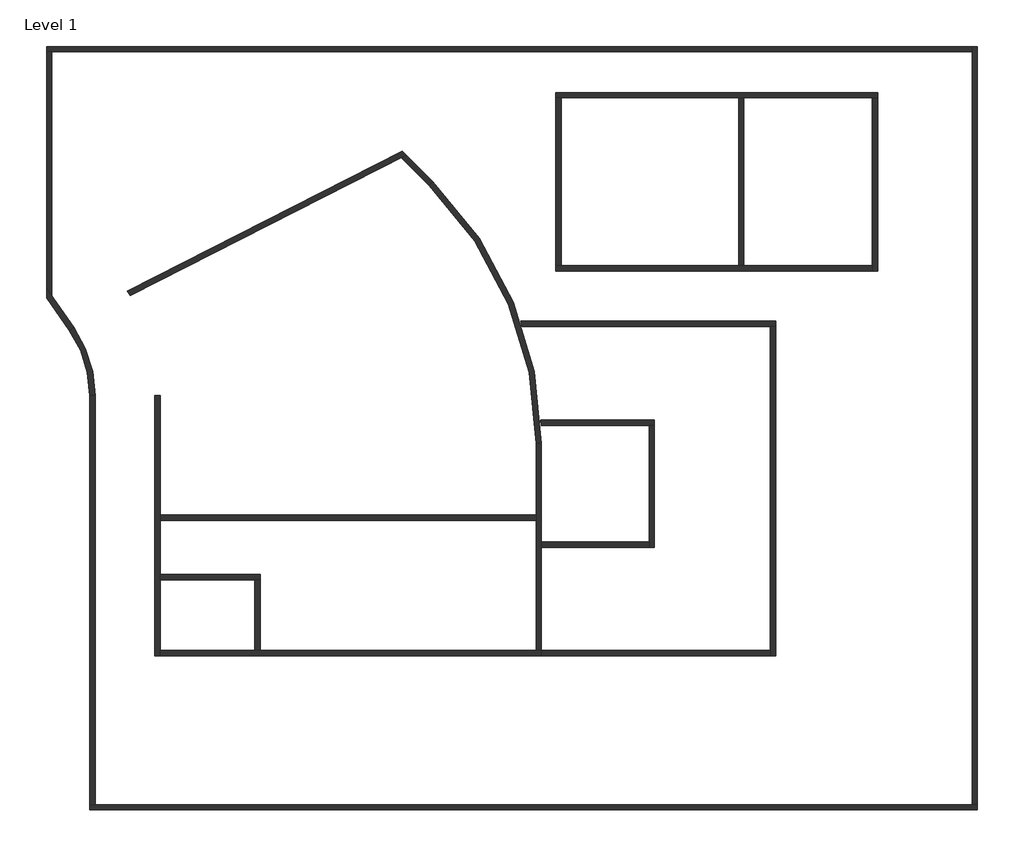
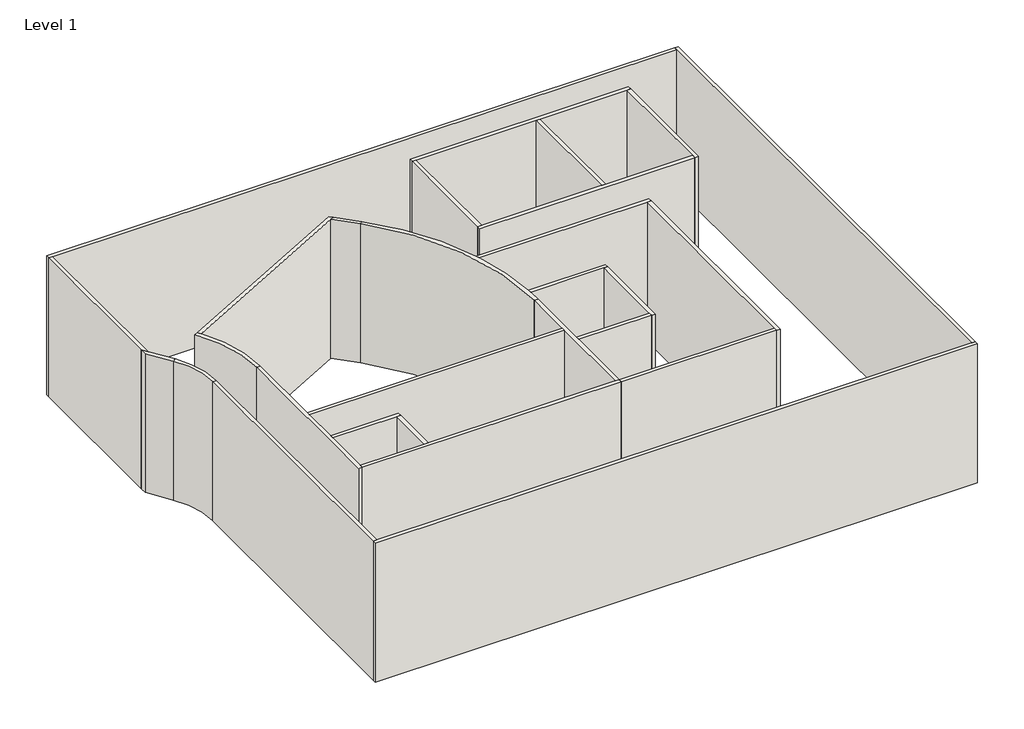
# One storey: 28 walls.
"""IFC4 building model written with IfcOpenShell, lengths in millimetres."""

from ifc_helpers import new_model, si_unit, point, frame, frame_2d, origin, origin_with_axes, place, context, project, spatial, polyline, circle_curve, trimmed, segment, composite_curve, outline, extrude, faceted_brep, element, save
from ifc_brep_helpers import plane_surface, cylinder_surface, revolved_surface, advanced_brep

model = new_model("IFC4")

# Units and contexts
model_context = context("Model", 3, world=origin())
ifc_project = project(units=[si_unit("LENGTHUNIT", "METRE", prefix="MILLI")], contexts=[model_context])

# Site, building, storey
site = spatial("IfcSite", under=ifc_project)
building = spatial("IfcBuilding", under=site)
storey = spatial("IfcBuildingStorey", under=building, Name="Level 1", Elevation=0.0)

# Walls
placement = place(None, origin())
element("IfcWall", 1, ObjectType="Generic - 200mm", at=placement, inside=storey, context=model_context, shape_type="Brep", body=[
    faceted_brep([(-12900.1976348, 1111.5995962, 0.0), (-12900.1976348, -8513.2666589, 0.0), (-12900.1976348, -8513.2666589, 8000.0), (-12900.1976348, 1111.5995962, 8000.0), (-12700.1976348, 1111.5995962, 0.0), (-12700.1976348, 1111.5995962, 8000.0), (-12700.1976348, -3313.2666589, 8000.0), (-12700.1976348, -3513.2666589, 8000.0), (-12700.1976348, -5513.2666589, 8000.0), (-12700.1976348, -5713.2666589, 8000.0), (-12700.1976348, -8313.2666589, 8000.0), (-12700.1976348, -8513.2666589, 8000.0), (-12700.1976348, -8513.2666589, 0.0), (-12700.1976348, -8313.2666589, 0.0), (-12700.1976348, -5713.2666589, 0.0), (-12700.1976348, -5513.2666589, 0.0), (-12700.1976348, -3513.2666589, 0.0), (-12700.1976348, -3313.2666589, 0.0)], [[[0, 1, 2, 3]], [[4, 5, 6, 7, 8, 9, 10, 11, 12, 13, 14, 15, 16, 17]], [[1, 0, 4, 17, 16, 15, 14, 13, 12]], [[3, 2, 11, 10, 9, 8, 7, 6, 5]], [[0, 3, 5, 4]], [[2, 1, 12, 11]]]),
])
element("IfcWall", 2, ObjectType="Generic - 200mm", at=placement, inside=storey, context=model_context, shape_type="Brep", body=[
    faceted_brep([(-12700.1976348, -8513.2666589, 0.0), (1399.8023652, -8513.2666589, 0.0), (1399.8023652, -8513.2666589, 8000.0), (-12700.1976348, -8513.2666589, 8000.0), (-12700.1976348, -8313.2666589, 0.0), (-12700.1976348, -8313.2666589, 8000.0), (-9200.1976348, -8313.2666589, 8000.0), (-9000.1976348, -8313.2666589, 8000.0), (1199.8023652, -8313.2666589, 8000.0), (1399.8023652, -8313.2666589, 8000.0), (1399.8023652, -8313.2666589, 0.0), (1199.8023652, -8313.2666589, 0.0), (-9000.1976348, -8313.2666589, 0.0), (-9200.1976348, -8313.2666589, 0.0)], [[[0, 1, 2, 3]], [[4, 5, 6, 7, 8, 9, 10, 11, 12, 13]], [[1, 0, 4, 13, 12, 11, 10]], [[3, 2, 9, 8, 7, 6, 5]], [[0, 3, 5, 4]], [[2, 1, 10, 9]]]),
])
element("IfcWall", 3, ObjectType="Generic - 200mm", at=placement, inside=storey, context=model_context, shape_type="Brep", body=[
    faceted_brep([(1399.8023652, -8313.2666589, 0.0), (1399.8023652, -4500.7679284, 0.0), (1399.8023652, -4300.7679284, 0.0), (1399.8023652, -667.8186322, 0.0), (1399.8023652, -667.8186322, 8000.0), (1399.8023652, -4300.7679284, 8000.0), (1399.8023652, -4500.7679284, 8000.0), (1399.8023652, -8313.2666589, 8000.0), (1199.8023652, -8313.2666589, 0.0), (1199.8023652, -8313.2666589, 8000.0), (1199.8023652, -3513.2666589, 8000.0), (1199.8023652, -3313.2666589, 8000.0), (1199.8023652, -667.8186322, 8000.0), (1199.8023652, -667.8186322, 0.0), (1199.8023652, -3313.2666589, 0.0), (1199.8023652, -3513.2666589, 0.0)], [[[0, 1, 2, 3, 4, 5, 6, 7]], [[8, 9, 10, 11, 12, 13, 14, 15]], [[3, 2, 1, 0, 8, 15, 14, 13]], [[4, 3, 13, 12]], [[7, 6, 5, 4, 12, 11, 10, 9]], [[0, 7, 9, 8]]]),
])
element("IfcWall", 4, ObjectType="Generic - 200mm", at=placement, inside=storey, context=model_context, shape_type="SweptSolid", body=[
    extrude(outline(polyline([(-12700.1976348, -3313.2666589), (1199.8023652, -3313.2666589), (1199.8023652, -3513.2666589), (-12700.1976348, -3513.2666589), (-12700.1976348, -3313.2666589)])), origin_with_axes(), (0.0, 0.0, 1.0), 8000.0),
])
element("IfcWall", 5, ObjectType="Generic - 200mm", at=placement, inside=storey, context=model_context, shape_type="AdvancedBrep", body=[
    advanced_brep(
    [(-13797.5976891, 4815.6991979, 0.0), (-3790.634692, 9914.501517, 0.0), (-3603.2627517, 10009.9722891, 0.0), (-3603.2627517, 10009.9722891, 8000.0), (-3790.634692, 9914.501517, 8000.0), (-13797.5976891, 4815.6991979, 8000.0), (-13909.816152, 4982.9862826, 0.0), (-13909.816152, 4982.9862826, 8000.0), (-3751.9619655, 10158.6715029, 8000.0), (-3751.9619655, 10158.6715029, 0.0)],
    [
        (0, 1),
        (1, 2),
        (2, 3),
        (3, 4),
        (4, 5),
        (5, 0),
        (6, 7),
        (7, 8),
        (8, 9),
        (9, 6),
        (0, 6, circle_curve(frame((-19500.1976348, 1111.5995962, 0.0), z_axis=(0.0, 0.0, 1.0), x_axis=(1.0, 0.0, 0.0)), 6800.0)),
        (9, 2),
        (3, 8),
        (7, 5, circle_curve(frame((-19500.1976348, 1111.5995962, 8000.0), z_axis=(0.0, 0.0, -1.0), x_axis=(1.0, 0.0, 0.0)), 6800.0)),
    ],
    [
        plane_surface(frame((-13896.3898286, 4765.3620886, 0.0), z_axis=(0.45399049973954625, -0.8910065241883682, 0.0), x_axis=(0.8910065241883682, 0.45399049973954625, 0.0))),
        plane_surface(frame((-13987.1879286, 4943.5633934, 0.0), z_axis=(-0.45399049973954625, 0.8910065241883682, 0.0), x_axis=(-0.8910065241883682, -0.45399049973954625, 0.0))),
        plane_surface(frame((-13897.3900092, 4764.8524711, 0.0), z_axis=(0.0, 0.0, -1.0), x_axis=(-0.4539904997395466, 0.891006524188368, 0.0))),
        plane_surface(frame((-3725.8992788, 9947.4858575, 8000.0), z_axis=(0.0, 0.0, 1.0), x_axis=(-0.45399049973954225, 0.8910065241883702, 0.0))),
        plane_surface(frame((-9001.6626479, 15408.3721853, 0.0), z_axis=(0.7071067811865491, 0.707106781186546, 0.0), x_axis=(-0.707106781186546, 0.7071067811865491, 0.0))),
        revolved_surface(polyline([(-12700.197634799999, 1111.5995962, 8000.0), (-12700.197634799999, 1111.5995962, 0.0)]), (-19500.1976348, 1111.5995962, 0.0), (0.0, 0.0, 1.0)),
    ],
    [
        (0, [[1, 2, 3, 4, 5, 6]]),
        (1, [[7, 8, 9, 10]]),
        (2, [[-2, -1, 11, -10, 12]]),
        (3, [[-5, -4, 13, -8, 14]]),
        (4, [[-3, -12, -9, -13]]),
        (5, [[-6, -14, -7, -11]]),
    ],
),
])
element("IfcWall", 6, ObjectType="Generic - 200mm", at=placement, inside=storey, context=model_context, shape_type="SweptSolid", body=[
    extrude(outline(polyline([(-2754.2560888, 8878.1229138), (-3790.634692, 9914.501517), (-3603.2627517, 10009.9722891), (-2612.8347326, 9019.54427), (-2754.2560888, 8878.1229138)])), origin_with_axes(), (0.0, 0.0, 1.0), 8000.0),
])
element("IfcWall", 7, ObjectType="Generic - 200mm", at=placement, inside=storey, context=model_context, shape_type="AdvancedBrep", body=[
    advanced_brep(
    [(-14089.6899995, 4891.3359796, 8000.0), (-12900.1976348, 1111.5995962, 8000.0), (-12700.1976348, 1111.5995962, 8000.0), (-13797.583722, 4815.6772057, 8000.0), (-13909.816152, 4982.9862826, 8000.0), (-14089.6899995, 4891.3359796, 0.0), (-13909.816152, 4982.9862826, 0.0), (-13797.583722, 4815.6772057, 0.0), (-12700.1976348, 1111.5995962, 0.0), (-12900.1976348, 1111.5995962, 0.0)],
    [
        (0, 1, circle_curve(frame((-19500.1976348, 1111.5995962, 8000.0), z_axis=(0.0, 0.0, -1.0), x_axis=(1.0, 0.0, 0.0)), 6600.0)),
        (1, 2),
        (2, 3, circle_curve(frame((-19500.1976348, 1111.5995962, 8000.0), z_axis=(0.0, 0.0, 1.0), x_axis=(1.0, 0.0, 0.0)), 6800.0)),
        (3, 4, circle_curve(frame((-19500.1976348, 1111.5995962, 8000.0), z_axis=(0.0, 0.0, 1.0), x_axis=(1.0, 0.0, 0.0)), 6799.9997336)),
        (4, 0),
        (5, 6),
        (6, 7, circle_curve(frame((-19500.1976348, 1111.5995962, 0.0), z_axis=(0.0, 0.0, -1.0), x_axis=(1.0, 0.0, 0.0)), 6800.0)),
        (7, 8, circle_curve(frame((-19500.1976348, 1111.5995962, 0.0), z_axis=(0.0, 0.0, -1.0), x_axis=(1.0, 0.0, 0.0)), 6799.9997336)),
        (8, 9),
        (9, 5, circle_curve(frame((-19500.1976348, 1111.5995962, 0.0), z_axis=(0.0, 0.0, 1.0), x_axis=(1.0, 0.0, 0.0)), 6600.0)),
        (0, 5),
        (9, 1),
        (8, 2),
        (6, 4),
    ],
    [
        plane_surface(frame((-12900.1976348, 1111.5995962, 8000.0), z_axis=(0.0, 0.0, 1.0), x_axis=(0.0, -1.0, 0.0))),
        plane_surface(frame((-12900.1976348, 1111.5995962, 0.0), z_axis=(0.0, 0.0, -1.0), x_axis=(0.0, 1.0, 0.0))),
        revolved_surface(polyline([(-12900.197634799999, 1111.5995962, 0.0), (-12900.197634799999, 1111.5995962, 8000.0)]), (-19500.1976348, 1111.5995962, 0.0), (0.0, 0.0, -1.0)),
        plane_surface(frame((-12900.1976348, 1111.5995962, 8000.0), z_axis=(0.0, -1.0, 0.0), x_axis=(0.0, 0.0, -1.0))),
        cylinder_surface(frame((-19500.1976348, 1111.5995962, 0.0), z_axis=(0.0, 0.0, 1.0), x_axis=(1.0, 0.0, 0.0)), 6800.0),
        plane_surface(frame((-13987.1879286, 4943.5633934, 0.0), z_axis=(-0.45399049973954625, 0.8910065241883682, 0.0), x_axis=(-0.8910065241883682, -0.45399049973954625, 0.0))),
    ],
    [
        (0, [[1, 2, 3, 4, 5]]),
        (1, [[6, 7, 8, 9, 10]]),
        (2, [[-1, 11, -10, 12]]),
        (3, [[-2, -12, -9, 13]]),
        (4, [[-4, -3, -13, -8, -7, 14]]),
        (5, [[-5, -14, -6, -11]]),
    ],
),
])
element("IfcWall", 8, ObjectType="Generic - 200mm", at=placement, inside=storey, context=model_context, shape_type="AdvancedBrep", body=[
    advanced_brep(
    [(1399.8023652, -667.8186322, 8000.0), (1383.5530313, -0.7645833, 8000.0), (1372.3379696, 199.2276496, 8000.0), (698.1793584, 3660.2512244, 8000.0), (629.8695723, 3860.245107, 8000.0), (-2612.8347326, 9019.54427, 8000.0), (-2754.2560888, 8878.1229138, 8000.0), (1199.8023652, -667.8186322, 8000.0), (1399.8023652, -667.8186322, 0.0), (1199.8023652, -667.8186322, 0.0), (-2754.2560888, 8878.1229138, 0.0), (-2612.8347326, 9019.54427, 0.0), (629.8695723, 3860.245107, 0.0), (698.1793584, 3660.2512244, 0.0), (1372.3379696, 199.2276496, 0.0), (1383.5530313, -0.7645833, 0.0)],
    [
        (0, 1, circle_curve(frame((-12300.1976348, -667.8186322, 8000.0), z_axis=(0.0, 0.0, 1.0), x_axis=(1.0, 0.0, 0.0)), 13700.0)),
        (1, 2, circle_curve(frame((-12300.1976348, -667.8186322, 8000.0), z_axis=(0.0, 0.0, 1.0), x_axis=(1.0, 0.0, 0.0)), 13699.999759)),
        (2, 3, circle_curve(frame((-12300.1976348, -667.8186322, 8000.0), z_axis=(0.0, 0.0, 1.0), x_axis=(1.0, 0.0, 0.0)), 13699.9999675)),
        (3, 4, circle_curve(frame((-12300.1976348, -667.8186322, 8000.0), z_axis=(0.0, 0.0, 1.0), x_axis=(1.0, 0.0, 0.0)), 13699.9997497)),
        (4, 5, circle_curve(frame((-12300.1976348, -667.8186322, 8000.0), z_axis=(0.0, 0.0, 1.0), x_axis=(1.0, 0.0, 0.0)), 13699.9999711)),
        (5, 6),
        (6, 7, circle_curve(frame((-12300.1976348, -667.8186322, 8000.0), z_axis=(0.0, 0.0, -1.0), x_axis=(1.0, 0.0, 0.0)), 13500.0)),
        (7, 0),
        (8, 9),
        (9, 10, circle_curve(frame((-12300.1976348, -667.8186322, 0.0), z_axis=(0.0, 0.0, 1.0), x_axis=(1.0, 0.0, 0.0)), 13500.0)),
        (10, 11),
        (11, 12, circle_curve(frame((-12300.1976348, -667.8186322, 0.0), z_axis=(0.0, 0.0, -1.0), x_axis=(1.0, 0.0, 0.0)), 13700.0)),
        (12, 13, circle_curve(frame((-12300.1976348, -667.8186322, 0.0), z_axis=(0.0, 0.0, -1.0), x_axis=(1.0, 0.0, 0.0)), 13699.9999711)),
        (13, 14, circle_curve(frame((-12300.1976348, -667.8186322, 0.0), z_axis=(0.0, 0.0, -1.0), x_axis=(1.0, 0.0, 0.0)), 13699.9997497)),
        (14, 15, circle_curve(frame((-12300.1976348, -667.8186322, 0.0), z_axis=(0.0, 0.0, -1.0), x_axis=(1.0, 0.0, 0.0)), 13699.9999675)),
        (15, 8, circle_curve(frame((-12300.1976348, -667.8186322, 0.0), z_axis=(0.0, 0.0, -1.0), x_axis=(1.0, 0.0, 0.0)), 13699.999759)),
        (0, 8),
        (11, 5),
        (10, 6),
        (9, 7),
    ],
    [
        plane_surface(frame((1399.8023652, -667.8186322, 8000.0), z_axis=(0.0, 0.0, 1.0), x_axis=(0.0, 1.0, 0.0))),
        plane_surface(frame((1399.8023652, -667.8186322, 0.0), z_axis=(0.0, 0.0, -1.0), x_axis=(0.0, -1.0, 0.0))),
        cylinder_surface(frame((-12300.1976348, -667.8186322, 0.0), z_axis=(0.0, 0.0, 1.0), x_axis=(1.0, 0.0, 0.0)), 13700.0),
        plane_surface(frame((-2612.8347326, 9019.54427, 8000.0), z_axis=(-0.7071067811862389, 0.7071067811868562, 0.0), x_axis=(0.0, 0.0, -1.0))),
        revolved_surface(polyline([(1199.8023651999993, -667.8186322, 0.0), (1199.8023651999993, -667.8186322, 8000.0)]), (-12300.1976348, -667.8186322, 0.0), (0.0, 0.0, -1.0)),
        plane_surface(frame((1199.8023652, -667.8186322, 8000.0), z_axis=(0.0, -1.0, 0.0), x_axis=(0.0, 0.0, -1.0))),
    ],
    [
        (0, [[1, 2, 3, 4, 5, 6, 7, 8]]),
        (1, [[9, 10, 11, 12, 13, 14, 15, 16]]),
        (2, [[-5, -4, -3, -2, -1, 17, -16, -15, -14, -13, -12, 18]]),
        (3, [[-6, -18, -11, 19]]),
        (4, [[-7, -19, -10, 20]]),
        (5, [[-8, -20, -9, -17]]),
    ],
),
])
element("IfcWall", 9, ObjectType="Generic - 200mm", at=placement, inside=storey, context=model_context, shape_type="AdvancedBrep", body=[
    advanced_brep(
    [(1383.5534356, -0.7679284, 0.0), (5378.1540036, -0.7679284, 0.0), (5578.1540036, -0.7679284, 0.0), (5578.1540036, -0.7679284, 8000.0), (5378.1540036, -0.7679284, 8000.0), (1383.5534356, -0.7679284, 8000.0), (1372.3377218, 199.2320716, 0.0), (1372.3377218, 199.2320716, 8000.0), (5578.1540036, 199.2320716, 8000.0), (5578.1540036, 199.2320716, 0.0)],
    [
        (0, 1),
        (1, 2),
        (2, 3),
        (3, 4),
        (4, 5),
        (5, 0),
        (6, 7),
        (7, 8),
        (8, 9),
        (9, 6),
        (0, 6, circle_curve(frame((-12300.1976348, -667.8186322, 0.0), z_axis=(0.0, 0.0, 1.0), x_axis=(1.0, 0.0, 0.0)), 13700.0)),
        (9, 2),
        (3, 8),
        (7, 5, circle_curve(frame((-12300.1976348, -667.8186322, 8000.0), z_axis=(0.0, 0.0, -1.0), x_axis=(1.0, 0.0, 0.0)), 13700.0)),
    ],
    [
        plane_surface(frame((1278.1540036, -0.7679284, 0.0), z_axis=(0.0, -1.0, 0.0), x_axis=(1.0, 0.0, 0.0))),
        plane_surface(frame((1278.1540036, 199.2320716, 0.0), z_axis=(0.0, 1.0, 0.0), x_axis=(-1.0, 0.0, 0.0))),
        plane_surface(frame((1278.1540036, -0.7679284, 0.0), z_axis=(0.0, 0.0, -1.0), x_axis=(0.0, 1.0, 0.0))),
        plane_surface(frame((5478.1540036, -0.7679284, 8000.0), z_axis=(0.0, 0.0, 1.0), x_axis=(0.0, 1.0, 0.0))),
        revolved_surface(polyline([(1399.8023651999993, -667.8186322, 8000.0), (1399.8023651999993, -667.8186322, 0.0)]), (-12300.1976348, -667.8186322, 0.0), (0.0, 0.0, 1.0)),
        plane_surface(frame((5578.1540036, 99.2320716, 0.0), z_axis=(1.0, 0.0, 0.0), x_axis=(0.0, 1.0, 0.0))),
    ],
    [
        (0, [[1, 2, 3, 4, 5, 6]]),
        (1, [[7, 8, 9, 10]]),
        (2, [[-2, -1, 11, -10, 12]]),
        (3, [[-5, -4, 13, -8, 14]]),
        (4, [[-6, -14, -7, -11]]),
        (5, [[-3, -12, -9, -13]]),
    ],
),
])
element("IfcWall", 10, ObjectType="Generic - 200mm", at=placement, inside=storey, context=model_context, shape_type="Brep", body=[
    faceted_brep([(5378.1540036, -0.7679284, 0.0), (5378.1540036, -4300.7679284, 0.0), (5378.1540036, -4500.7679284, 0.0), (5378.1540036, -4500.7679284, 8000.0), (5378.1540036, -4300.7679284, 8000.0), (5378.1540036, -0.7679284, 8000.0), (5578.1540036, -0.7679284, 0.0), (5578.1540036, -0.7679284, 8000.0), (5578.1540036, -4500.7679284, 8000.0), (5578.1540036, -4500.7679284, 0.0)], [[[0, 1, 2, 3, 4, 5]], [[6, 7, 8, 9]], [[2, 1, 0, 6, 9]], [[5, 4, 3, 8, 7]], [[0, 5, 7, 6]], [[3, 2, 9, 8]]]),
])
element("IfcWall", 11, ObjectType="Generic - 200mm", at=placement, inside=storey, context=model_context, shape_type="SweptSolid", body=[
    extrude(outline(polyline([(1399.8023652, -4300.7679284), (5378.1540036, -4300.7679284), (5378.1540036, -4500.7679284), (1399.8023652, -4500.7679284), (1399.8023652, -4300.7679284)])), origin_with_axes(), (0.0, 0.0, 1.0), 8000.0),
])
element("IfcWall", 12, ObjectType="Generic - 200mm", at=placement, inside=storey, context=model_context, shape_type="AdvancedBrep", body=[
    advanced_brep(
    [(698.1798411, 3660.2505672, 0.0), (9858.7371253, 3660.2505672, 0.0), (10058.7371253, 3660.2505672, 0.0), (10058.7371253, 3660.2505672, 8000.0), (9858.7371253, 3660.2505672, 8000.0), (698.1798411, 3660.2505672, 8000.0), (629.8676908, 3860.2505672, 0.0), (629.8676908, 3860.2505672, 8000.0), (10058.7371253, 3860.2505672, 8000.0), (10058.7371253, 3860.2505672, 0.0)],
    [
        (0, 1),
        (1, 2),
        (2, 3),
        (3, 4),
        (4, 5),
        (5, 0),
        (6, 7),
        (7, 8),
        (8, 9),
        (9, 6),
        (0, 6, circle_curve(frame((-12300.1976348, -667.8186322, 0.0), z_axis=(0.0, 0.0, 1.0), x_axis=(1.0, 0.0, 0.0)), 13700.0)),
        (9, 2),
        (3, 8),
        (7, 5, circle_curve(frame((-12300.1976348, -667.8186322, 8000.0), z_axis=(0.0, 0.0, -1.0), x_axis=(1.0, 0.0, 0.0)), 13700.0)),
    ],
    [
        plane_surface(frame((558.7371253, 3660.2505672, 0.0), z_axis=(0.0, -1.0, 0.0), x_axis=(1.0, 0.0, 0.0))),
        plane_surface(frame((558.7371253, 3860.2505672, 0.0), z_axis=(0.0, 1.0, 0.0), x_axis=(-1.0, 0.0, 0.0))),
        plane_surface(frame((558.7371253, 3660.2505672, 0.0), z_axis=(0.0, 0.0, -1.0), x_axis=(0.0, 1.0, 0.0))),
        plane_surface(frame((9958.7371253, 3660.2505672, 8000.0), z_axis=(0.0, 0.0, 1.0), x_axis=(0.0, 1.0, 0.0))),
        revolved_surface(polyline([(1399.8023651999993, -667.8186322, 8000.0), (1399.8023651999993, -667.8186322, 0.0)]), (-12300.1976348, -667.8186322, 0.0), (0.0, 0.0, 1.0)),
        plane_surface(frame((10058.7371253, 3760.2505672, 0.0), z_axis=(1.0, 0.0, 0.0), x_axis=(0.0, 1.0, 0.0))),
    ],
    [
        (0, [[1, 2, 3, 4, 5, 6]]),
        (1, [[7, 8, 9, 10]]),
        (2, [[-2, -1, 11, -10, 12]]),
        (3, [[-5, -4, 13, -8, 14]]),
        (4, [[-6, -14, -7, -11]]),
        (5, [[-3, -12, -9, -13]]),
    ],
),
])
element("IfcWall", 13, ObjectType="Generic - 200mm", at=placement, inside=storey, context=model_context, shape_type="Brep", body=[
    faceted_brep([(9858.7371253, 3660.2505672, 0.0), (9858.7371253, -8313.2666589, 0.0), (9858.7371253, -8513.2666589, 0.0), (9858.7371253, -8513.2666589, 8000.0), (9858.7371253, -8313.2666589, 8000.0), (9858.7371253, 3660.2505672, 8000.0), (10058.7371253, 3660.2505672, 0.0), (10058.7371253, 3660.2505672, 8000.0), (10058.7371253, -8513.2666589, 8000.0), (10058.7371253, -8513.2666589, 0.0)], [[[0, 1, 2, 3, 4, 5]], [[6, 7, 8, 9]], [[2, 1, 0, 6, 9]], [[5, 4, 3, 8, 7]], [[0, 5, 7, 6]], [[3, 2, 9, 8]]]),
])
element("IfcWall", 14, ObjectType="Generic - 200mm", at=placement, inside=storey, context=model_context, shape_type="SweptSolid", body=[
    extrude(outline(polyline([(1399.8023652, -8313.2666589), (9858.7371253, -8313.2666589), (9858.7371253, -8513.2666589), (1399.8023652, -8513.2666589), (1399.8023652, -8313.2666589)])), origin_with_axes(), (0.0, 0.0, 1.0), 8000.0),
])
element("IfcWall", 15, ObjectType="Generic - 200mm", at=placement, inside=storey, context=model_context, shape_type="Brep", body=[
    faceted_brep([(-12700.1976348, -5713.2666589, 0.0), (-9200.1976348, -5713.2666589, 0.0), (-9000.1976348, -5713.2666589, 0.0), (-9000.1976348, -5713.2666589, 8000.0), (-9200.1976348, -5713.2666589, 8000.0), (-12700.1976348, -5713.2666589, 8000.0), (-12700.1976348, -5513.2666589, 0.0), (-12700.1976348, -5513.2666589, 8000.0), (-9000.1976348, -5513.2666589, 8000.0), (-9000.1976348, -5513.2666589, 0.0)], [[[0, 1, 2, 3, 4, 5]], [[6, 7, 8, 9]], [[2, 1, 0, 6, 9]], [[5, 4, 3, 8, 7]], [[0, 5, 7, 6]], [[3, 2, 9, 8]]]),
])
element("IfcWall", 16, ObjectType="Generic - 200mm", at=placement, inside=storey, context=model_context, shape_type="SweptSolid", body=[
    extrude(outline(polyline([(-9200.1976348, -8313.2666589), (-9200.1976348, -5713.2666589), (-9000.1976348, -5713.2666589), (-9000.1976348, -8313.2666589), (-9200.1976348, -8313.2666589)])), origin_with_axes(), (0.0, 0.0, 1.0), 8000.0),
])
element("IfcWall", 17, ObjectType="Generic - 200mm", at=placement, inside=storey, context=model_context, shape_type="Brep", body=[
    faceted_brep([(1929.1247114, 12124.0580045, 0.0), (2129.1247114, 12124.0580045, 0.0), (8688.0594715, 12124.0580045, 0.0), (8888.0594715, 12124.0580045, 0.0), (13629.1247114, 12124.0580045, 0.0), (13829.1247114, 12124.0580045, 0.0), (13829.1247114, 12124.0580045, 8000.0), (13629.1247114, 12124.0580045, 8000.0), (8888.0594715, 12124.0580045, 8000.0), (8688.0594715, 12124.0580045, 8000.0), (2129.1247114, 12124.0580045, 8000.0), (1929.1247114, 12124.0580045, 8000.0), (1929.1247114, 12324.0580045, 0.0), (1929.1247114, 12324.0580045, 8000.0), (13829.1247114, 12324.0580045, 8000.0), (13829.1247114, 12324.0580045, 0.0)], [[[0, 1, 2, 3, 4, 5, 6, 7, 8, 9, 10, 11]], [[12, 13, 14, 15]], [[5, 4, 3, 2, 1, 0, 12, 15]], [[11, 10, 9, 8, 7, 6, 14, 13]], [[6, 5, 15, 14]], [[0, 11, 13, 12]]]),
])
element("IfcWall", 18, ObjectType="Generic - 200mm", at=placement, inside=storey, context=model_context, shape_type="Brep", body=[
    faceted_brep([(13629.1247114, 12124.0580045, 0.0), (13629.1247114, 5924.0580045, 0.0), (13629.1247114, 5724.0580045, 0.0), (13629.1247114, 5724.0580045, 8000.0), (13629.1247114, 5924.0580045, 8000.0), (13629.1247114, 12124.0580045, 8000.0), (13829.1247114, 12124.0580045, 0.0), (13829.1247114, 12124.0580045, 8000.0), (13829.1247114, 5724.0580045, 8000.0), (13829.1247114, 5724.0580045, 0.0)], [[[0, 1, 2, 3, 4, 5]], [[6, 7, 8, 9]], [[2, 1, 0, 6, 9]], [[5, 4, 3, 8, 7]], [[0, 5, 7, 6]], [[3, 2, 9, 8]]]),
])
element("IfcWall", 19, ObjectType="Generic - 200mm", at=placement, inside=storey, context=model_context, shape_type="Brep", body=[
    faceted_brep([(13629.1247114, 5924.0580045, 0.0), (8888.0594715, 5924.0580045, 0.0), (8688.0594715, 5924.0580045, 0.0), (2129.1247114, 5924.0580045, 0.0), (1929.1247114, 5924.0580045, 0.0), (1929.1247114, 5924.0580045, 8000.0), (2129.1247114, 5924.0580045, 8000.0), (8688.0594715, 5924.0580045, 8000.0), (8888.0594715, 5924.0580045, 8000.0), (13629.1247114, 5924.0580045, 8000.0), (13629.1247114, 5724.0580045, 0.0), (13629.1247114, 5724.0580045, 8000.0), (1929.1247114, 5724.0580045, 8000.0), (1929.1247114, 5724.0580045, 0.0)], [[[0, 1, 2, 3, 4, 5, 6, 7, 8, 9]], [[10, 11, 12, 13]], [[4, 3, 2, 1, 0, 10, 13]], [[9, 8, 7, 6, 5, 12, 11]], [[0, 9, 11, 10]], [[5, 4, 13, 12]]]),
])
element("IfcWall", 20, ObjectType="Generic - 200mm", at=placement, inside=storey, context=model_context, shape_type="SweptSolid", body=[
    extrude(outline(polyline([(2129.1247114, 12124.0580045), (2129.1247114, 5924.0580045), (1929.1247114, 5924.0580045), (1929.1247114, 12124.0580045), (2129.1247114, 12124.0580045)])), origin_with_axes(), (0.0, 0.0, 1.0), 8000.0),
])
element("IfcWall", 21, ObjectType="Generic - 200mm", at=placement, inside=storey, context=model_context, shape_type="SweptSolid", body=[
    extrude(outline(polyline([(8888.0594715, 12124.0580045), (8888.0594715, 5924.0580045), (8688.0594715, 5924.0580045), (8688.0594715, 12124.0580045), (8888.0594715, 12124.0580045)])), origin_with_axes(), (0.0, 0.0, 1.0), 8000.0),
])
element("IfcWall", 22, ObjectType="Generic - 200mm", at=placement, inside=storey, context=model_context, shape_type="Brep", body=[
    faceted_brep([(-16900.1976348, 13824.0580045, 0.0), (-16700.1976348, 13824.0580045, 0.0), (17321.7355725, 13824.0580045, 0.0), (17321.7355725, 13824.0580045, 8000.0), (-16700.1976348, 13824.0580045, 8000.0), (-16900.1976348, 13824.0580045, 8000.0), (-16900.1976348, 14024.0580045, 0.0), (-16900.1976348, 14024.0580045, 8000.0), (17321.7355725, 14024.0580045, 8000.0), (17321.7355725, 14024.0580045, 0.0)], [[[0, 1, 2, 3, 4, 5]], [[6, 7, 8, 9]], [[2, 1, 0, 6, 9]], [[5, 4, 3, 8, 7]], [[3, 2, 9, 8]], [[0, 5, 7, 6]]]),
])
element("IfcWall", 23, ObjectType="Generic - 200mm", at=placement, inside=storey, context=model_context, shape_type="Brep", body=[
    faceted_brep([(17321.7355725, 14024.0580045, 0.0), (17321.7355725, 13824.0580045, 0.0), (17321.7355725, -14023.611545, 0.0), (17321.7355725, -14023.611545, 8000.0), (17321.7355725, 13824.0580045, 8000.0), (17321.7355725, 14024.0580045, 8000.0), (17521.7355725, 14024.0580045, 0.0), (17521.7355725, 14024.0580045, 8000.0), (17521.7355725, -14023.611545, 8000.0), (17521.7355725, -14023.611545, 0.0)], [[[0, 1, 2, 3, 4, 5]], [[6, 7, 8, 9]], [[2, 1, 0, 6, 9]], [[5, 4, 3, 8, 7]], [[0, 5, 7, 6]], [[3, 2, 9, 8]]]),
])
element("IfcWall", 24, ObjectType="Generic - 200mm", at=placement, inside=storey, context=model_context, shape_type="Brep", body=[
    faceted_brep([(17521.7355725, -14023.611545, 0.0), (17321.7355725, -14023.611545, 0.0), (-15100.1976348, -14023.611545, 0.0), (-15300.1976348, -14023.611545, 0.0), (-15300.1976348, -14023.611545, 8000.0), (-15100.1976348, -14023.611545, 8000.0), (17321.7355725, -14023.611545, 8000.0), (17521.7355725, -14023.611545, 8000.0), (17521.7355725, -14223.611545, 0.0), (17521.7355725, -14223.611545, 8000.0), (-15300.1976348, -14223.611545, 8000.0), (-15300.1976348, -14223.611545, 0.0)], [[[0, 1, 2, 3, 4, 5, 6, 7]], [[8, 9, 10, 11]], [[3, 2, 1, 0, 8, 11]], [[7, 6, 5, 4, 10, 9]], [[0, 7, 9, 8]], [[4, 3, 11, 10]]]),
])
element("IfcWall", 25, ObjectType="Generic - 200mm", at=placement, inside=storey, context=model_context, shape_type="Brep", body=[
    faceted_brep([(-15895.9286399, 3635.3359161, 0.0), (-16700.1976348, 4783.951078, 0.0), (-16900.1976348, 5069.5806794, 0.0), (-16900.1976348, 5069.5806794, 8000.0), (-16700.1976348, 4783.951078, 8000.0), (-15895.9286399, 3635.3359161, 8000.0), (-16059.7590488, 3520.6206288, 0.0), (-16059.7590488, 3520.6206288, 8000.0), (-16900.1976348, 4720.8913203, 8000.0), (-16900.1976348, 4720.8913203, 0.0)], [[[0, 1, 2, 3, 4, 5]], [[6, 7, 8, 9]], [[2, 1, 0, 6, 9]], [[5, 4, 3, 8, 7]], [[0, 5, 7, 6]], [[3, 2, 9, 8]]]),
])
element("IfcWall", 26, ObjectType="Generic - 200mm", at=placement, inside=storey, context=model_context, shape_type="SweptSolid", body=[
    extrude(outline(composite_curve([segment(polyline([(-16059.7590488, 3520.6206288), (-15895.9286399, 3635.3359161)]), True, "CONTINUOUS"), segment(trimmed(circle_curve(frame_2d((-19500.1976348, 1111.5995962)), 4400.0), [point((-15895.9286399, 3635.3359161))], [point((-15100.1976348, 1111.5995962))], False, "CARTESIAN"), True, "CONTINUOUS"), segment(polyline([(-15100.1976348, 1111.5995962), (-15300.1976348, 1111.5995962)]), True, "CONTINUOUS"), segment(trimmed(circle_curve(frame_2d((-19500.1976348, 1111.5995962)), 4200.0), [point((-15300.1976348, 1111.5995962))], [point((-16059.7590488, 3520.6206288))], True, "CARTESIAN"), True, "CONTINUOUS")], self_intersect=False)), origin_with_axes(), (0.0, 0.0, 1.0), 8000.0),
])
element("IfcWall", 27, ObjectType="Generic - 200mm", at=placement, inside=storey, context=model_context, shape_type="SweptSolid", body=[
    extrude(outline(polyline([(-15300.1976348, -14023.611545), (-15300.1976348, 1111.5995962), (-15100.1976348, 1111.5995962), (-15100.1976348, -14023.611545), (-15300.1976348, -14023.611545)])), origin_with_axes(), (0.0, 0.0, 1.0), 8000.0),
])
element("IfcWall", 28, ObjectType="Generic - 200mm", at=placement, inside=storey, context=model_context, shape_type="SweptSolid", body=[
    extrude(outline(polyline([(-16700.1976348, 13824.0580045), (-16700.1976348, 4783.951078), (-16900.1976348, 5069.5806794), (-16900.1976348, 13824.0580045), (-16700.1976348, 13824.0580045)])), origin_with_axes(), (0.0, 0.0, 1.0), 8000.0),
])

save(model, "model.ifc")
